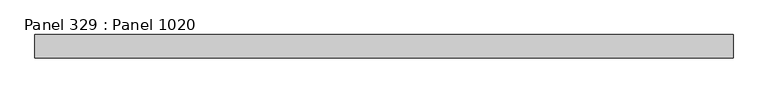
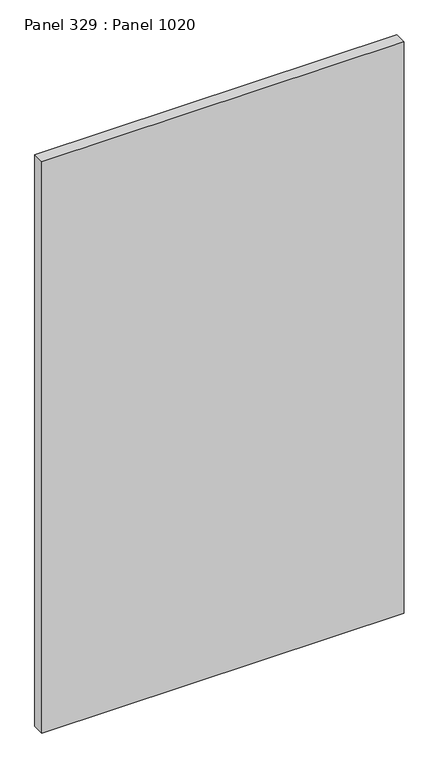
"""IFC4 building model written with IfcOpenShell, lengths in millimetres: proxy geometry, Panel 329 : Panel 1020."""

from ifc_helpers import new_model, si_unit, frame, origin, place, context, project, spatial, polyline, outline, extrude, source, transform, mapped, element, save


def panel_329_panel_1020_21da5331(model_context):
    return source(origin(), model_context, "Body", "SweptSolid", [
        extrude(outline(polyline([(29467.4761005, 344155.7855277), (29467.4761009, 344105.7854855), (27967.4761349, 344105.7855395), (27967.4761345, 344155.7855816), (29467.4761005, 344155.7855277)])), frame((0.0, 0.0, 34575.0), z_axis=(0.0, 0.0, 1.0), x_axis=(1.0, 0.0, 0.0)), (0.0, 0.0, 1.0), 2500.0),
    ])


if __name__ == "__main__":
    model = new_model("IFC4")
    model_context = context("Model", 3, world=origin())
    ifc_project = project(units=[si_unit("LENGTHUNIT", "METRE", prefix="MILLI")], contexts=[model_context])
    site = spatial("IfcSite", under=ifc_project)
    building = spatial("IfcBuilding", under=site)
    placement = place(None, origin())
    panel_329_panel_1020_shape = panel_329_panel_1020_21da5331(model_context)
    element("IfcBuildingElementProxy", 1, Name="Panel 329 : Panel 1020", ObjectType="Panel 329 : Panel 1020", at=placement, inside=building, context=model_context, shape_type="MappedRepresentation", body=[
        mapped(panel_329_panel_1020_shape, transform((0.0, 0.0, 0.0), x_axis=(1.0, 0.0, 0.0), y_axis=(0.0, 1.0, 0.0), z_axis=(0.0, 0.0, 1.0))),
    ])
    save(model, "model.ifc")
